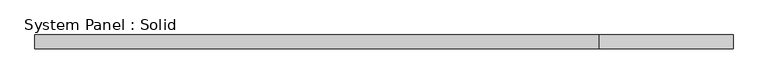
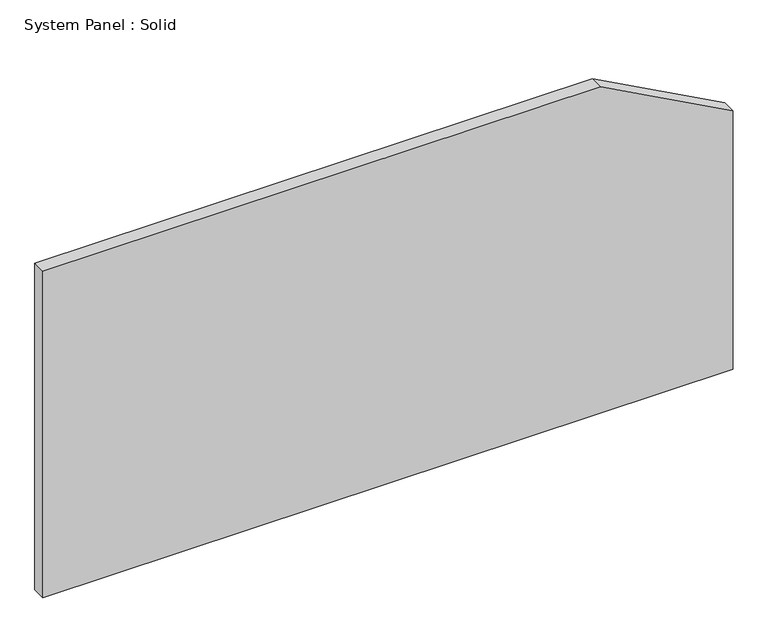
"""IFC4 building model written with IfcOpenShell, lengths in millimetres: plate geometry, System Panel : Solid."""

from ifc_helpers import new_model, si_unit, frame, origin, place, context, project, spatial, polyline, outline, extrude, source, transform, mapped, element, save


def system_panel_solid_dedce1c0(model_context):
    return source(origin(), model_context, "Body", "SweptSolid", [
        extrude(outline(polyline([(0.0, -1500.0), (0.0, 1500.0), (1188.6543783, 1500.0), (1500.0, 924.1000353), (1500.0, -1500.0), (0.0, -1500.0)])), frame((0.0, -10.5, 0.0), z_axis=(0.0, 1.0, 0.0), x_axis=(0.0, 0.0, 1.0)), (0.0, 0.0, 1.0), 60.0),
    ])


if __name__ == "__main__":
    model = new_model("IFC4")
    model_context = context("Model", 3, world=origin())
    ifc_project = project(units=[si_unit("LENGTHUNIT", "METRE", prefix="MILLI")], contexts=[model_context])
    site = spatial("IfcSite", under=ifc_project)
    building = spatial("IfcBuilding", under=site)
    placement = place(None, origin())
    system_panel_solid_shape = system_panel_solid_dedce1c0(model_context)
    element("IfcPlate", 1, ObjectType="System Panel : Solid", at=placement, inside=building, context=model_context, shape_type="MappedRepresentation", body=[
        mapped(system_panel_solid_shape, transform((0.0, 0.0, 0.0), x_axis=(1.0, 0.0, 0.0), y_axis=(0.0, 1.0, 0.0), z_axis=(0.0, 0.0, 1.0))),
    ])
    save(model, "model.ifc")
